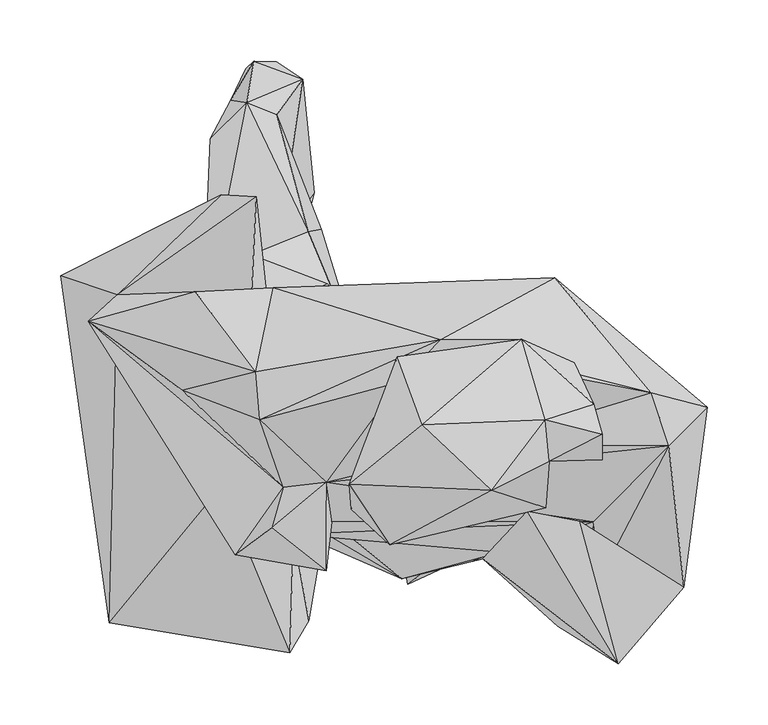
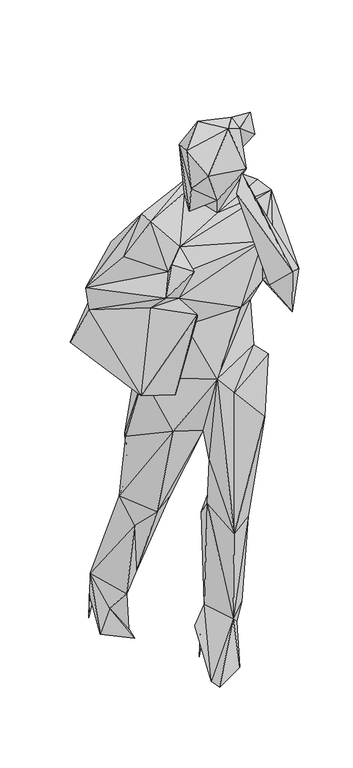
"""IFC4 building model written with IfcOpenShell, lengths in millimetres: geographic element geometry."""

import ifcopenshell
import ifcopenshell.guid

model = None  # the IFC model being written
_history = None  # IfcOwnerHistory: only IFC2X3 demands one
_inside = {}  # id of a spatial element -> (the spatial element, [elements in it])
_under = {}  # id of a project, library or spatial element -> (it, [spatial elements below it])
_declared = {}  # id of a project -> (the project, [libraries it declares])
_typed = {}  # id of a type object -> (the type object, [elements of that type])
_made_of = {}  # id of a material, layer set ... -> (it, [elements and type objects made of it])


def new_model(schema):
    """Start an empty IFC model of exactly this schema.

    Asked for "IFC4X3", IfcOpenShell would pick the latest addendum, in which some entities
    have other attributes; the version numbers below select the first issue.
    IFC2X3 requires an IfcOwnerHistory on every rooted entity: one is made here for all.
    """
    global model, _history
    if schema == "IFC4X3":
        model = ifcopenshell.file(schema_version=(4, 3, 0, 0))
    else:
        model = ifcopenshell.file(schema=schema)
    _inside.clear()
    _under.clear()
    _declared.clear()
    _typed.clear()
    _made_of.clear()
    _history = None
    if model.schema == "IFC2X3":
        org = make("IfcOrganization", Name="unknown")
        user = make(
            "IfcPersonAndOrganization",
            ThePerson=make("IfcPerson", FamilyName="unknown"),
            TheOrganization=org,
        )
        app = make(
            "IfcApplication",
            ApplicationDeveloper=org,
            Version="unknown",
            ApplicationFullName="unknown",
            ApplicationIdentifier="unknown",
        )
        _history = make(
            "IfcOwnerHistory",
            OwningUser=user,
            OwningApplication=app,
            ChangeAction="ADDED",
            CreationDate=0,
        )
    return model


def make(cls, **values):
    """One entity of the class cls with the attributes given. An attribute that is None is left unset."""
    return model.create_entity(
        cls, **{name: value for name, value in values.items() if value is not None}
    )


def rooted(cls, **values):
    """An entity with a GlobalId (a new one), such as an element, a storey or a relation."""
    return make(cls, GlobalId=ifcopenshell.guid.new(), OwnerHistory=_history, **values)


def si_unit(unit_type, name, prefix=None):
    """IfcSIUnit, for example si_unit("LENGTHUNIT", "METRE", prefix="MILLI")."""
    return make("IfcSIUnit", UnitType=unit_type, Prefix=prefix, Name=name)


def assignment(units):
    """IfcUnitAssignment: the units of a project."""
    return None if units is None else make("IfcUnitAssignment", Units=units)


def point(xyz):
    """IfcCartesianPoint."""
    return None if xyz is None else make("IfcCartesianPoint", Coordinates=xyz)


def direction(xyz):
    """IfcDirection."""
    return None if xyz is None else make("IfcDirection", DirectionRatios=xyz)


def frame(location, z_axis=None, x_axis=None):
    """IfcAxis2Placement3D, a coordinate frame: its origin and axes. An axis left out is left unset."""
    return make(
        "IfcAxis2Placement3D",
        Location=point(location),
        Axis=direction(z_axis),
        RefDirection=direction(x_axis),
    )


def origin():
    """The frame at (0, 0, 0) with its axes left unset."""
    return frame((0.0, 0.0, 0.0))


def place(relative_to, where):
    """IfcLocalPlacement: puts the frame where relative to a parent placement (None: the world)."""
    return make(
        "IfcLocalPlacement", PlacementRelTo=relative_to, RelativePlacement=where
    )


def context(
    kind, dimensions, precision=None, world=None, true_north=None, identifier=None
):
    """IfcGeometricRepresentationContext, for example the 3D "Model" context."""
    return make(
        "IfcGeometricRepresentationContext",
        ContextIdentifier=identifier,
        ContextType=kind,
        CoordinateSpaceDimension=dimensions,
        Precision=precision,
        WorldCoordinateSystem=world,
        TrueNorth=true_north,
    )


def project(units=None, contexts=None):
    """IfcProject with its units and contexts."""
    return rooted(
        "IfcProject",
        Name="project",
        RepresentationContexts=contexts,
        UnitsInContext=assignment(units),
    )


def spatial(cls, under=None, at=None, **own):
    """A site, building, storey or space (cls), placed at a placement, below another one or the project."""
    s = rooted(cls, ObjectPlacement=at, **own)
    if under is not None:
        _under.setdefault(under.id(), (under, []))[1].append(s)
    return s


def faces_of(points, faces, orient=None, outer=None):
    """IfcFace entities. A face is a list of loops; a loop is a list of indices into points, from 0.

    orient and outer hold one flag for each loop. By default every Orientation is true, the
    first loop of a face is its IfcFaceOuterBound and the others are IfcFaceBound.
    """
    made = []
    for i, loops in enumerate(faces):
        bounds = []
        for j, loop in enumerate(loops):
            is_outer = j == 0 if outer is None else outer[i][j]
            bounds.append(
                make(
                    "IfcFaceOuterBound" if is_outer else "IfcFaceBound",
                    Bound=make("IfcPolyLoop", Polygon=[points[k] for k in loop]),
                    Orientation=True if orient is None else orient[i][j],
                )
            )
        made.append(make("IfcFace", Bounds=bounds))
    return made


def faceted_brep(points, faces, orient=None, outer=None, voids=None):
    """IfcFacetedBrep: a solid bounded by flat faces; with voids (closed shells), ...WithVoids."""
    shared = [point(p) for p in points]
    hull = make("IfcClosedShell", CfsFaces=faces_of(shared, faces, orient, outer))
    if voids is None:
        return make("IfcFacetedBrep", Outer=hull)
    return make(
        "IfcFacetedBrepWithVoids",
        Outer=hull,
        Voids=[
            make(cls, CfsFaces=faces_of(shared, fs, o, b)) for cls, fs, o, b in voids
        ],
    )


def shape(context_of_items, identifier, shape_type, items):
    """IfcShapeRepresentation: the items that make up one representation, for example the "Body"."""
    return make(
        "IfcShapeRepresentation",
        ContextOfItems=context_of_items,
        RepresentationIdentifier=identifier,
        RepresentationType=shape_type,
        Items=items,
    )


def source(mapping_origin, context_of_items, identifier, shape_type, items):
    """IfcRepresentationMap: a shape defined once, which mapped items show again and again."""
    return make(
        "IfcRepresentationMap",
        MappingOrigin=mapping_origin,
        MappedRepresentation=shape(context_of_items, identifier, shape_type, items),
    )


def transform(
    local_origin,
    x_axis=None,
    y_axis=None,
    z_axis=None,
    scale=None,
    scale2=None,
    scale3=None,
    uniform=True,
):
    """IfcCartesianTransformationOperator3D, or its non-uniform kind. x_axis, y_axis, z_axis: its Axis1, 2, 3."""
    if uniform:
        return make(
            "IfcCartesianTransformationOperator3D",
            Axis1=direction(x_axis),
            Axis2=direction(y_axis),
            LocalOrigin=point(local_origin),
            Scale=scale,
            Axis3=direction(z_axis),
        )
    return make(
        "IfcCartesianTransformationOperator3DnonUniform",
        Axis1=direction(x_axis),
        Axis2=direction(y_axis),
        LocalOrigin=point(local_origin),
        Scale=scale,
        Axis3=direction(z_axis),
        Scale2=scale2,
        Scale3=scale3,
    )


def mapped(mapping_source, mapping_target):
    """IfcMappedItem: shows the shape of a source again, moved by a transform."""
    return make(
        "IfcMappedItem", MappingSource=mapping_source, MappingTarget=mapping_target
    )


def made_of(thing, what):
    """Note that an element or type object is made of a material, layer set ...; save() writes the relation."""
    if what is not None:
        _made_of.setdefault(what.id(), (what, []))[1].append(thing)
    return thing


def element(
    cls,
    number,
    at=None,
    inside=None,
    cuts=None,
    type_object=None,
    material=None,
    context=None,
    identifier="Body",
    shape_type=None,
    held_by="IfcProductDefinitionShape",
    body=None,
    shapes=None,
    **own,
):
    """One element of the class cls, such as IfcWall. Its Tag is "e" and its number.

    at: its placement. inside: the storey or other place that contains it. cuts: it is an
    opening in that element (IfcRelVoidsElement). A single representation is given by context,
    identifier, shape_type and body (its items); several are given by shapes. held_by: the class
    of the entity that holds the representations. save() writes the other relations.
    """
    e = rooted(cls, Tag="e%d" % number, ObjectPlacement=at, **own)
    if body is not None:
        shapes = [shape(context, identifier, shape_type, body)]
    if shapes is not None:
        e.Representation = make(held_by, Representations=shapes)
    if inside is not None:
        _inside.setdefault(inside.id(), (inside, []))[1].append(e)
    if cuts is not None:
        rooted(
            "IfcRelVoidsElement", RelatingBuildingElement=cuts, RelatedOpeningElement=e
        )
    if type_object is not None:
        _typed.setdefault(type_object.id(), (type_object, []))[1].append(e)
    return made_of(e, material)


def aggregate(whole, parts):
    """IfcRelAggregates: a whole, such as a stair, and the parts it consists of."""
    return rooted("IfcRelAggregates", RelatingObject=whole, RelatedObjects=parts)


def save(model, path):
    """Write the relations noted so far, then the file.

    IfcRelAggregates (storeys below a building ...), IfcRelContainedInSpatialStructure (elements
    in a storey), IfcRelDefinesByType, IfcRelAssociatesMaterial and IfcRelDeclares: one each for
    every whole, place, type object, material and project.
    """
    for whole, parts in _under.values():
        aggregate(whole, parts)
    for where, things in _inside.values():
        rooted(
            "IfcRelContainedInSpatialStructure",
            RelatedElements=things,
            RelatingStructure=where,
        )
    for kind, things in _typed.values():
        rooted("IfcRelDefinesByType", RelatedObjects=things, RelatingType=kind)
    for what, things in _made_of.values():
        rooted("IfcRelAssociatesMaterial", RelatedObjects=things, RelatingMaterial=what)
    for by, libraries in _declared.values():
        rooted("IfcRelDeclares", RelatingContext=by, RelatedDefinitions=libraries)
    model.write(path)


def geographic_element_35fe3ee6(model_context):
    return source(origin(), model_context, "Body", "Brep", [
        faceted_brep([(121.4197949, 43.3741659, 895.1732516), (150.7533491, -47.7025807, 637.7800703), (42.6398925, -20.9924895, 731.2940955), (208.5227072, -88.1659985, 793.7401533), (31.5807201, -114.8522124, 727.8769612), (44.9978486, -123.0166852, 635.4765296), (47.1342355, -109.7800434, 495.1252937), (137.0993704, -39.6975316, 416.1505997), (56.0942665, -63.8978407, 438.2173717), (96.5538397, -152.6385844, 149.8087943), (65.3560832, -61.0088408, 149.9215066), (96.3867158, -158.5034281, 413.4401977), (21.1575925, -202.6246339, 940.9542084), (182.0418388, -164.1744077, 745.4227209), (79.7034055, -188.1913692, 870.0561523), (161.7122442, -114.8722172, 418.6231196), (212.7687633, -128.8930029, 906.4014554), (166.5045619, -133.9269429, 954.0695548), (139.6588385, -122.2659647, 168.8233316), (161.0943377, -19.4501821, 1073.4857321), (183.6147457, -87.8336877, 1057.6142073), (272.9189992, -61.5037307, 1273.429513), (102.1092162, -180.8826029, 1118.5312271), (180.8451712, -154.3243676, 1160.1645947), (-68.3787391, -165.9250408, 1196.6837645), (-40.9323163, -152.1153897, 1096.3346958), (178.7852049, -155.7731479, 1279.6494961), (-138.8738006, -108.415395, 945.1286197), (-80.0777748, -158.7059498, 789.4893885), (-55.6492284, -237.3560369, 1177.9403687), (-111.1465991, -221.9285667, 950.9304166), (-71.2485835, -263.7423873, 1206.9816589), (-220.067054, -239.0024662, 996.2041378), (-127.8050691, -126.9457489, 1165.7419205), (-213.3026272, 31.4353742, 1093.1172371), (-259.9392831, 47.1732318, 1000.4788637), (-116.0573363, -182.9770058, 1224.5235443), (-237.1667325, 9.5586404, 1181.4177036), (-76.6750202, -127.1109879, 1258.4030628), (-86.1011147, -160.7908607, 1302.4792671), (-40.9504585, -195.9586442, 1286.3605022), (-36.5802683, -155.8705568, 1262.9977465), (-41.2044935, -123.2421994, 1320.0384378), (-95.8347023, -71.7521086, 1383.6420774), (-159.6331447, -47.4505574, 1284.2251062), (18.9696345, -40.8972055, 1414.4406319), (52.7994335, -5.8650291, 1429.897666), (-99.1954356, -32.2380066, 1386.2072229), (-84.8271102, 37.0365605, 1271.1106539), (-149.1431743, 33.6299911, 1277.1416903), (-101.885736, 19.5567738, 1219.7265625), (-55.5584989, -2.0362919, 1097.7461338), (-82.7938616, -40.8073962, 1139.0223503), (-102.7681828, 23.8582082, 1181.9410324), (-98.5899568, 111.979194, 1193.1291819), (-127.4822801, 113.8376743, 1133.5384846), (-122.7434501, -50.4292212, 962.8767967), (-119.3578988, 23.2909527, 984.8117828), (-157.0058912, 61.5740381, 948.7118721), (-133.6154491, -7.0606042, 711.5632892), (-52.8510064, 11.6692716, 1020.9183693), (-158.4460586, -56.256745, 740.02105), (-143.2840973, 2.5727476, 516.9724226), (-134.8980367, -23.3246386, 596.4743495), (-82.8444734, -81.7233697, 498.2243776), (-12.3723317, -21.5158034, 481.2249541), (-45.1363288, 85.3103176, 203.8650811), (-116.65041, -27.646089, 435.233891), (-11.3122547, 4.0959818, 729.6685576), (-55.9156761, 83.2732096, 432.2914481), (-40.1262715, 40.7068431, 528.8643837), (-102.7719975, 64.2825589, 489.0656769), (-89.0693218, 27.8235339, 774.084866), (50.3660329, 33.2031436, 972.5549817), (-106.638886, 189.5855218, 174.5649874), (-136.8204951, 159.9196196, 181.7944944), (-80.2210346, 75.1269162, 150.1860619), (-112.1990383, 103.5999954, 99.9489725), (-136.6018057, 110.901162, 24.8172637), (-119.59856, 191.9339448, 87.6826569), (-81.8426609, 179.7258556, 180.9970737), (-60.4740046, 208.9286, 130.1420629), (-50.8320853, 115.43753, 7.8264372), (-65.995954, 58.999449, 19.4242354), (-100.8571833, 224.1736352, 93.8358754), (-82.1482614, 223.6168534, 88.200286), (-107.5012758, 217.9020196, 3.82e-05), (87.5174105, 20.996023, 1067.953229), (147.1280754, 45.3366712, 1291.7839289), (226.7407477, -49.3128747, 1388.2529736), (117.0648858, -28.1046741, 1458.8243961), (119.9863032, -5.4209721, 1554.6475649), (85.6532082, -92.328079, 1360.5735302), (241.1367744, -93.2028964, 1377.6971102), (163.0721837, -24.8108078, 1524.8880386), (144.4053054, -48.3502187, 1468.8158035), (179.3696731, -59.127681, 1595.2771902), (186.4750385, -104.7978625, 1572.5944042), (139.6263689, -144.4036365, 1507.7931881), (142.8113729, -105.7996973, 1608.1613302), (186.2229258, -83.692804, 1628.0651093), (139.2157078, -71.911633, 1622.2412586), (95.1088965, -129.8701167, 1636.8569136), (52.5215231, -149.2933482, 1445.4874992), (11.2062478, -174.7781634, 1548.0006933), (-22.268286, -124.9975711, 1608.6189747), (38.1780267, -76.0220587, 1647.6917267), (17.4988974, -19.846594, 1550.2755642), (42.1299115, -18.0845745, 1520.4319954), (-20.4709321, -145.5687732, 1502.8203726), (-15.6471077, -126.0528415, 1421.8392372), (253.4890473, -209.6450627, 1203.399539), (185.4741871, -199.2687285, 1213.621974), (149.4860351, -241.7816073, 1207.2701454), (87.9118368, -186.224103, 1474.6824503), (137.7783865, -156.7635536, 1401.3940096), (167.7011997, -155.1839411, 1399.8889923), (210.8014226, -250.8390546, 1109.5788479), (199.6868402, -272.8256285, 1248.8672733), (124.5895177, -147.0920295, 1500.4900694), (130.2279681, -113.3575067, 107.1154252), (20.289477, -173.8677919, -2.3083207), (31.8586342, -71.6287047, 101.9678637), (65.0437921, -60.4682863, 57.5525798), (106.1718836, -170.4077274, 9.4709406), (26.0807406, -207.0185542, -1.8613792), (51.529251, -124.1674051, 36.0578522)], [[[0, 1, 2]], [[0, 3, 1]], [[4, 2, 1]], [[5, 1, 6]], [[3, 7, 1]], [[7, 8, 1]], [[6, 1, 8]], [[4, 1, 5]], [[9, 6, 10]], [[5, 6, 11]], [[6, 9, 11]], [[8, 10, 6]], [[11, 12, 5]], [[12, 4, 5]], [[13, 14, 11]], [[13, 11, 15]], [[9, 15, 11]], [[14, 12, 11]], [[16, 17, 14]], [[13, 16, 14]], [[14, 17, 12]], [[3, 13, 15]], [[16, 13, 3]], [[7, 3, 15]], [[9, 18, 15]], [[18, 7, 15]], [[19, 17, 3]], [[3, 0, 19]], [[17, 16, 3]], [[20, 12, 17]], [[19, 20, 17]], [[21, 20, 19]], [[12, 20, 22]], [[21, 23, 20]], [[22, 20, 23]], [[22, 24, 25]], [[22, 25, 12]], [[22, 26, 24]], [[22, 23, 26]], [[27, 28, 12]], [[12, 28, 4]], [[12, 25, 27]], [[24, 29, 25]], [[29, 30, 25]], [[25, 30, 27]], [[31, 30, 29]], [[31, 29, 24]], [[30, 31, 32]], [[27, 30, 32]], [[33, 32, 31]], [[33, 31, 24]], [[34, 32, 33]], [[35, 27, 32]], [[35, 32, 34]], [[36, 34, 33]], [[24, 36, 33]], [[36, 37, 34]], [[36, 38, 37]], [[39, 38, 36]], [[36, 40, 39]], [[36, 24, 40]], [[40, 24, 41]], [[24, 26, 41]], [[41, 42, 40]], [[40, 42, 39]], [[38, 39, 42]], [[43, 38, 42]], [[44, 37, 38]], [[44, 38, 43]], [[42, 45, 43]], [[45, 46, 43]], [[47, 43, 46]], [[43, 47, 44]], [[37, 44, 47]], [[48, 47, 46]], [[48, 49, 47]], [[49, 37, 47]], [[34, 49, 50]], [[50, 49, 48]], [[37, 49, 34]], [[48, 51, 50]], [[50, 51, 52]], [[53, 34, 50]], [[53, 50, 52]], [[53, 54, 34]], [[55, 35, 34]], [[34, 54, 55]], [[52, 54, 53]], [[52, 55, 54]], [[56, 57, 52]], [[51, 56, 52]], [[55, 52, 57]], [[35, 55, 58]], [[58, 55, 57]], [[27, 35, 58]], [[58, 56, 27]], [[56, 58, 57]], [[59, 56, 60]], [[59, 27, 56]], [[56, 51, 60]], [[28, 27, 61]], [[59, 61, 27]], [[28, 61, 62]], [[62, 61, 63]], [[63, 61, 59]], [[28, 64, 4]], [[28, 62, 64]], [[65, 64, 66]], [[64, 65, 4]], [[62, 67, 64]], [[67, 66, 64]], [[4, 65, 68]], [[2, 4, 68]], [[69, 65, 66]], [[68, 65, 70]], [[71, 65, 69]], [[71, 70, 65]], [[68, 70, 59]], [[59, 72, 68]], [[72, 2, 68]], [[0, 2, 72]], [[72, 60, 73]], [[72, 59, 60]], [[72, 73, 0]], [[63, 59, 70]], [[71, 63, 70]], [[71, 69, 62]], [[62, 63, 71]], [[74, 62, 69]], [[62, 75, 67]], [[74, 75, 62]], [[67, 75, 76]], [[75, 77, 76]], [[78, 75, 79]], [[77, 75, 78]], [[75, 74, 79]], [[67, 76, 66]], [[80, 69, 66]], [[80, 66, 76]], [[74, 69, 80]], [[81, 74, 80]], [[80, 76, 81]], [[81, 76, 82]], [[82, 76, 77]], [[82, 77, 83]], [[77, 78, 83]], [[79, 82, 78]], [[83, 78, 82]], [[81, 82, 79]], [[84, 81, 85]], [[81, 84, 74]], [[81, 79, 85]], [[86, 84, 85]], [[86, 85, 79]], [[74, 84, 79]], [[86, 79, 84]], [[19, 0, 73]], [[87, 73, 60]], [[87, 19, 73]], [[21, 19, 88]], [[88, 19, 87]], [[87, 48, 88]], [[87, 51, 48]], [[87, 60, 51]], [[48, 46, 88]], [[89, 21, 88]], [[89, 88, 46]], [[90, 46, 91]], [[90, 89, 46]], [[45, 91, 46]], [[89, 90, 92]], [[21, 89, 93]], [[93, 89, 92]], [[94, 90, 91]], [[92, 90, 95]], [[90, 94, 95]], [[96, 97, 94]], [[91, 96, 94]], [[94, 97, 95]], [[95, 98, 92]], [[99, 98, 95]], [[95, 97, 99]], [[96, 100, 97]], [[97, 100, 99]], [[91, 101, 96]], [[100, 96, 101]], [[100, 101, 99]], [[101, 102, 99]], [[99, 102, 98]], [[98, 103, 92]], [[104, 98, 102]], [[104, 103, 98]], [[102, 105, 104]], [[106, 102, 101]], [[105, 102, 106]], [[106, 101, 91]], [[91, 107, 106]], [[105, 106, 107]], [[45, 108, 91]], [[108, 107, 91]], [[105, 107, 109]], [[110, 107, 45]], [[109, 107, 110]], [[107, 108, 45]], [[104, 105, 109]], [[109, 103, 104]], [[110, 103, 109]], [[110, 45, 103]], [[103, 45, 92]], [[92, 45, 42]], [[42, 93, 92]], [[26, 93, 42]], [[41, 26, 42]], [[21, 93, 111]], [[112, 93, 26]], [[111, 93, 112]], [[112, 26, 23]], [[112, 113, 114]], [[114, 115, 112]], [[113, 112, 23]], [[111, 112, 116]], [[112, 115, 116]], [[117, 23, 21]], [[23, 117, 113]], [[111, 117, 21]], [[111, 118, 117]], [[117, 118, 113]], [[111, 116, 118]], [[116, 119, 118]], [[119, 116, 115]], [[115, 114, 119]], [[114, 118, 119]], [[114, 113, 118]], [[18, 10, 7]], [[120, 10, 18]], [[120, 18, 9]], [[8, 7, 10]], [[9, 10, 121]], [[122, 121, 10]], [[122, 10, 123]], [[120, 123, 10]], [[120, 9, 124]], [[120, 124, 123]], [[125, 124, 9]], [[125, 9, 121]], [[124, 121, 126]], [[121, 122, 126]], [[125, 121, 124]], [[122, 123, 126]], [[126, 123, 124]]]),
        faceted_brep([(47.3558009, -67.9059997, -9.6e-06), (35.2585167, -93.8740671, 87.6826122), (53.9998971, -66.0150647, 93.8358307), (65.3828233, -61.6477393, 88.2002413)], [[[0, 1, 2]], [[0, 3, 1]], [[2, 1, 3]], [[0, 2, 3]]]),
    ])


if __name__ == "__main__":
    model = new_model("IFC4")
    model_context = context("Model", 3, world=origin())
    ifc_project = project(units=[si_unit("LENGTHUNIT", "METRE", prefix="MILLI")], contexts=[model_context])
    site = spatial("IfcSite", under=ifc_project)
    building = spatial("IfcBuilding", under=site)
    placement = place(None, origin())
    geographic_element_shape = geographic_element_35fe3ee6(model_context)
    element("IfcGeographicElement", 1, at=placement, inside=building, context=model_context, shape_type="MappedRepresentation", body=[
        mapped(geographic_element_shape, transform((0.0, 0.0, 0.0), x_axis=(1.0, 0.0, 0.0), y_axis=(0.0, 1.0, 0.0), z_axis=(0.0, 0.0, 1.0))),
    ])
    save(model, "model.ifc")
